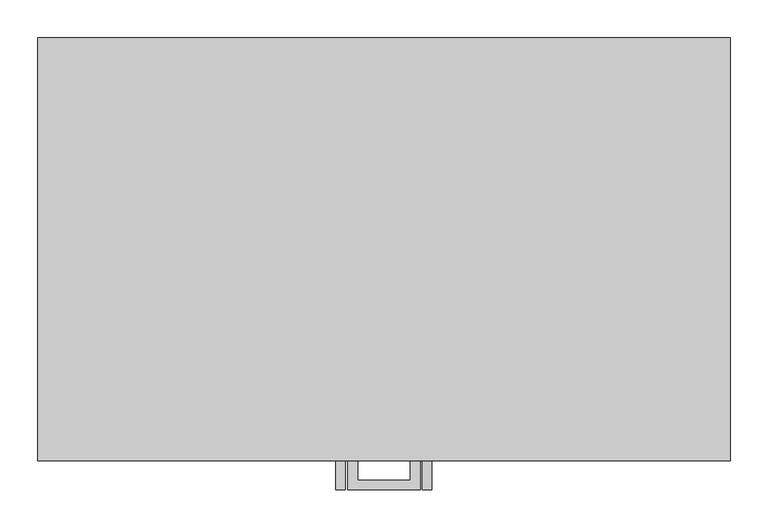
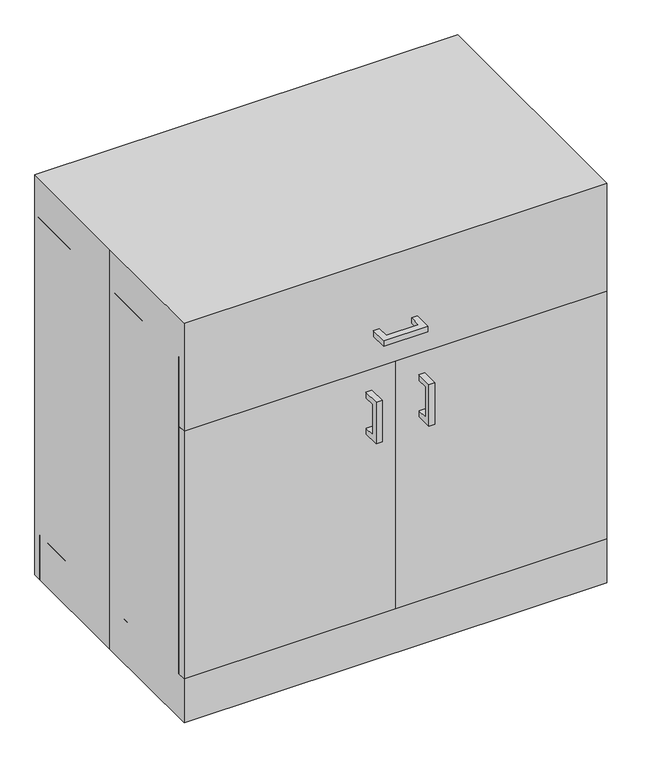
"""IFC4 building model written with IfcOpenShell, lengths in millimetres: proxy geometry."""

from ifc_helpers import new_model, si_unit, frame, origin, origin_with_axes, place, context, project, spatial, polyline, outline, extrude, source, transform, mapped, element, save


def specialty_equipment_2d81a064(model_context):
    return source(origin(), model_context, "Body", "SweptSolid", [
        extrude(outline(polyline([(0.0, -279.4), (-457.2, -279.4), (-457.2, -260.35), (0.0, -260.35), (0.0, -279.4)])), frame((0.0, 0.0, 101.6), z_axis=(0.0, 0.0, 1.0), x_axis=(1.0, 0.0, 0.0)), (0.0, 0.0, 1.0), 565.15),
        extrude(outline(polyline([(-47.625, -317.5), (-47.625, -279.4), (-34.9409299, -279.4), (-34.9409299, -304.8159299), (34.9409299, -304.8159299), (34.9409299, -279.4), (47.625, -279.4), (47.625, -317.5), (-47.625, -317.5)])), frame((0.0, 0.0, 741.3462383), z_axis=(0.0, 0.0, 1.0), x_axis=(1.0, 0.0, 0.0)), (0.0, 0.0, 1.0), 12.7),
        extrude(outline(polyline([(457.2, -279.4), (0.0, -279.4), (0.0, -260.35), (457.2, -260.35), (457.2, -279.4)])), frame((0.0, 0.0, 101.6), z_axis=(0.0, 0.0, 1.0), x_axis=(1.0, 0.0, 0.0)), (0.0, 0.0, 1.0), 565.15),
        extrude(outline(polyline([(-317.5, 523.8560937), (-317.5, 619.1060937), (-279.4, 619.1060937), (-279.4, 606.4220236), (-304.8159299, 606.4220236), (-304.8159299, 536.5401637), (-279.4, 536.5401637), (-279.4, 523.8560937), (-317.5, 523.8560937)])), frame((50.5065288, 0.0, 0.0), z_axis=(1.0, 0.0, 0.0), x_axis=(0.0, 1.0, 0.0)), (0.0, 0.0, 1.0), 12.7),
        extrude(outline(polyline([(-317.5, 523.8560937), (-317.5, 619.1060937), (-279.4, 619.1060937), (-279.4, 606.4220236), (-304.8159299, 606.4220236), (-304.8159299, 536.5401637), (-279.4, 536.5401637), (-279.4, 523.8560937), (-317.5, 523.8560937)])), frame((-63.7934712, 0.0, 0.0), z_axis=(1.0, 0.0, 0.0), x_axis=(0.0, 1.0, 0.0)), (0.0, 0.0, 1.0), 12.7),
        extrude(outline(polyline([(-457.2, 279.4), (457.2, 279.4), (457.2, -279.4), (-457.2, -279.4), (-457.2, 0.0), (-457.2, 279.4)])), origin_with_axes(), (0.0, 0.0, 1.0), 914.4),
        extrude(outline(polyline([(-457.2, -184.15), (-457.2, 279.4), (-438.15, 279.4), (-438.15, -184.15), (-457.2, -184.15)])), origin_with_axes(), (0.0, 0.0, 1.0), 101.6),
        extrude(outline(polyline([(438.15, -184.15), (438.15, 279.4), (457.2, 279.4), (457.2, -184.15), (438.15, -184.15)])), origin_with_axes(), (0.0, 0.0, 1.0), 101.6),
        extrude(outline(polyline([(438.15, -260.35), (438.15, 279.4), (457.2, 279.4), (457.2, -260.35), (438.15, -260.35)])), frame((0.0, 0.0, 101.6), z_axis=(0.0, 0.0, 1.0), x_axis=(1.0, 0.0, 0.0)), (0.0, 0.0, 1.0), 723.8674767),
        extrude(outline(polyline([(-457.2, -260.35), (-457.2, 279.4), (-438.15, 279.4), (-438.15, -260.35), (-457.2, -260.35)])), frame((0.0, 0.0, 101.6), z_axis=(0.0, 0.0, 1.0), x_axis=(1.0, 0.0, 0.0)), (0.0, 0.0, 1.0), 723.8674767),
        extrude(outline(polyline([(457.2, -279.4), (-457.2, -279.4), (-457.2, -260.35), (457.2, -260.35), (457.2, -279.4)])), frame((0.0, 0.0, 673.0674767), z_axis=(0.0, 0.0, 1.0), x_axis=(1.0, 0.0, 0.0)), (0.0, 0.0, 1.0), 152.4),
        extrude(outline(polyline([(457.2, -203.2), (-457.2, -203.2), (-457.2, -184.15), (457.2, -184.15), (457.2, -203.2)])), origin_with_axes(), (0.0, 0.0, 1.0), 101.6),
        extrude(outline(polyline([(457.2, 260.35), (-457.2, 260.35), (-457.2, 279.4), (457.2, 279.4), (457.2, 260.35)])), origin_with_axes(), (0.0, 0.0, 1.0), 101.6),
        extrude(outline(polyline([(438.15, 260.35), (438.15, -260.35), (-438.15, -260.35), (-438.15, 260.35), (438.15, 260.35)])), frame((0.0, 0.0, 101.6), z_axis=(0.0, 0.0, 1.0), x_axis=(1.0, 0.0, 0.0)), (0.0, 0.0, 1.0), 19.1166954),
        extrude(outline(polyline([(438.15, 260.35), (-438.15, 260.35), (-438.15, 279.4), (438.15, 279.4), (438.15, 260.35)])), frame((0.0, 0.0, 101.6), z_axis=(0.0, 0.0, 1.0), x_axis=(1.0, 0.0, 0.0)), (0.0, 0.0, 1.0), 704.8174767),
    ])


if __name__ == "__main__":
    model = new_model("IFC4")
    model_context = context("Model", 3, world=origin())
    ifc_project = project(units=[si_unit("LENGTHUNIT", "METRE", prefix="MILLI")], contexts=[model_context])
    site = spatial("IfcSite", under=ifc_project)
    building = spatial("IfcBuilding", under=site)
    placement = place(None, origin())
    specialty_equipment_shape = specialty_equipment_2d81a064(model_context)
    element("IfcBuildingElementProxy", 1, Name="Specialty Equipment", at=placement, inside=building, context=model_context, shape_type="MappedRepresentation", body=[
        mapped(specialty_equipment_shape, transform((0.0, 0.0, 0.0), x_axis=(1.0, 0.0, 0.0), y_axis=(0.0, 1.0, 0.0), z_axis=(0.0, 0.0, 1.0))),
    ])
    save(model, "model.ifc")
